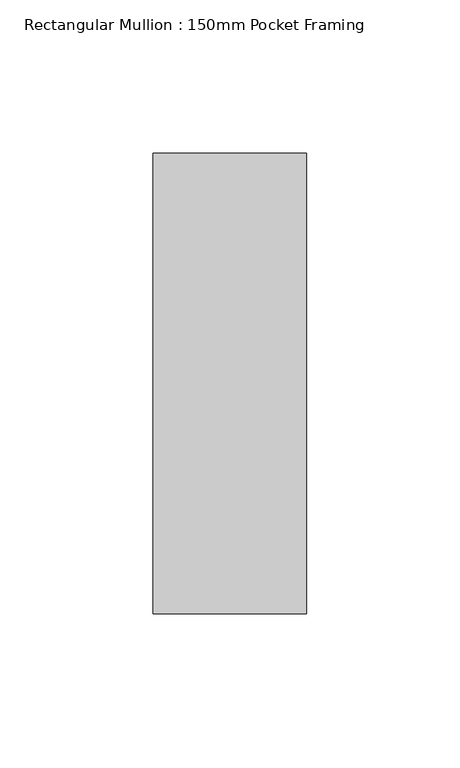
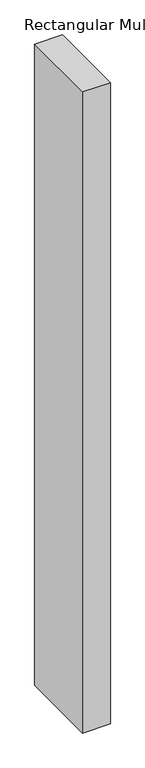
"""IFC4 building model written with IfcOpenShell, lengths in millimetres: member geometry, Rectangular Mullion : 150mm Pocket Framing."""

from ifc_helpers import new_model, si_unit, frame, origin, place, context, project, spatial, polyline, outline, extrude, source, transform, mapped, element, save


def rectangular_mullion_150mm_pocket_framing_ab14a89a(model_context):
    return source(origin(), model_context, "Body", "SweptSolid", [
        extrude(outline(polyline([(25.0, 75.0), (25.0, -75.0), (-25.0, -75.0), (-25.0, 75.0), (25.0, 75.0)])), frame((0.0, 0.0, -1225.0), z_axis=(0.0, 0.0, 1.0), x_axis=(1.0, 0.0, 0.0)), (0.0, 0.0, 1.0), 1225.0),
    ])


if __name__ == "__main__":
    model = new_model("IFC4")
    model_context = context("Model", 3, world=origin())
    ifc_project = project(units=[si_unit("LENGTHUNIT", "METRE", prefix="MILLI")], contexts=[model_context])
    site = spatial("IfcSite", under=ifc_project)
    building = spatial("IfcBuilding", under=site)
    placement = place(None, origin())
    rectangular_mullion_150mm_pocket_framing_shape = rectangular_mullion_150mm_pocket_framing_ab14a89a(model_context)
    element("IfcMember", 1, ObjectType="Rectangular Mullion : 150mm Pocket Framing", at=placement, inside=building, context=model_context, shape_type="MappedRepresentation", body=[
        mapped(rectangular_mullion_150mm_pocket_framing_shape, transform((0.0, 0.0, 0.0), x_axis=(1.0, 0.0, 0.0), y_axis=(0.0, 1.0, 0.0), z_axis=(0.0, 0.0, 1.0))),
    ])
    save(model, "model.ifc")
